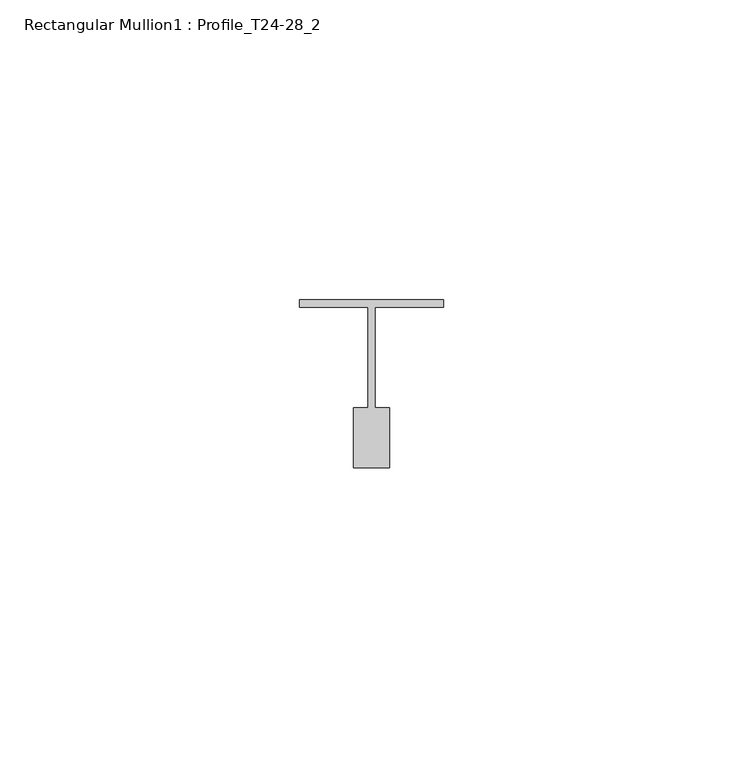
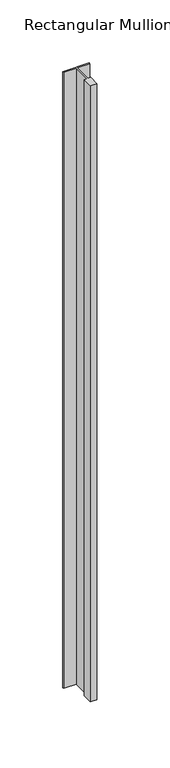
"""IFC4 building model written with IfcOpenShell, lengths in millimetres: member geometry, Rectangular Mullion1 : Profile_T24-28_2."""

from ifc_helpers import new_model, si_unit, frame, origin, place, context, project, spatial, polyline, outline, extrude, source, transform, mapped, element, save


def rectangular_mullion1_profile_t24_28_2_e2a24ffb(model_context):
    return source(origin(), model_context, "Body", "SweptSolid", [
        extrude(outline(polyline([(-12.0, 3.0), (12.0, 3.0), (12.0, 1.75), (0.6, 1.75), (0.6, -15.0), (3.0, -15.0), (3.0, -25.0), (-3.0, -25.0), (-3.0, -15.0), (-0.6, -15.0), (-0.6, 1.75), (-12.0, 1.75), (-12.0, 3.0)])), frame((0.0, 0.0, -597.9999997), z_axis=(0.0, 0.0, 1.0), x_axis=(1.0, 0.0, 0.0)), (0.0, 0.0, 1.0), 597.9999997),
    ])


if __name__ == "__main__":
    model = new_model("IFC4")
    model_context = context("Model", 3, world=origin())
    ifc_project = project(units=[si_unit("LENGTHUNIT", "METRE", prefix="MILLI")], contexts=[model_context])
    site = spatial("IfcSite", under=ifc_project)
    building = spatial("IfcBuilding", under=site)
    placement = place(None, origin())
    rectangular_mullion1_profile_t24_28_2_shape = rectangular_mullion1_profile_t24_28_2_e2a24ffb(model_context)
    element("IfcMember", 1, ObjectType="Rectangular Mullion1 : Profile_T24-28_2", at=placement, inside=building, context=model_context, shape_type="MappedRepresentation", body=[
        mapped(rectangular_mullion1_profile_t24_28_2_shape, transform((0.0, 0.0, 0.0), x_axis=(1.0, 0.0, 0.0), y_axis=(0.0, 1.0, 0.0), z_axis=(0.0, 0.0, 1.0))),
    ])
    save(model, "model.ifc")
